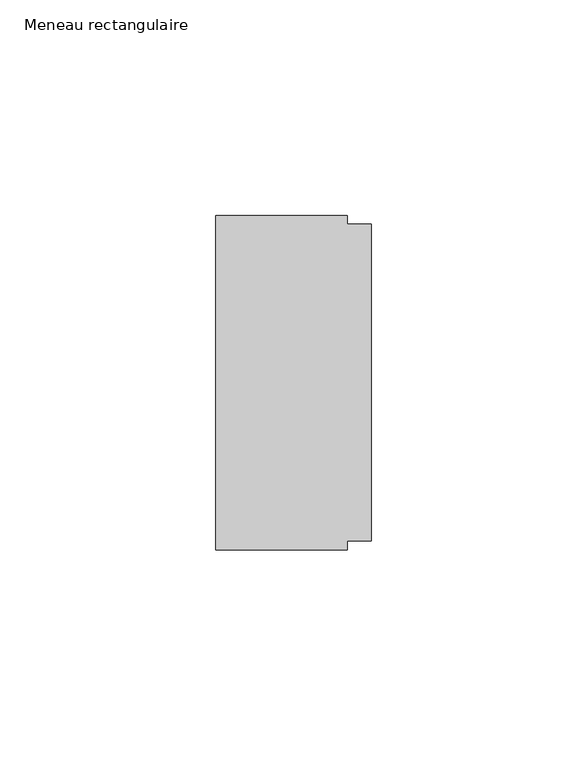
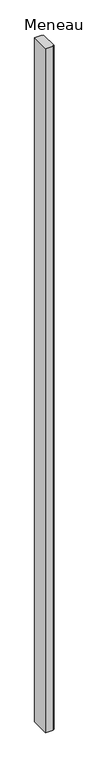
"""IFC4 building model written with IfcOpenShell, lengths in millimetres: member geometry, Meneau rectangulaire."""

from ifc_helpers import new_model, si_unit, frame, origin, place, context, project, spatial, polyline, outline, extrude, source, transform, mapped, element, save


def meneau_rectangulaire_54a0c6e2(model_context):
    return source(origin(), model_context, "Body", "SweptSolid", [
        extrude(outline(polyline([(0.0, 36.75), (0.0, -36.75), (-5.5, -36.75), (-5.5, -38.75), (-36.0, -38.75), (-36.0, 38.75), (-5.5, 38.75), (-5.5, 36.75), (0.0, 36.75)])), frame((0.0, 0.0, -3000.0), z_axis=(0.0, 0.0, 1.0), x_axis=(1.0, 0.0, 0.0)), (0.0, 0.0, 1.0), 3000.0),
    ])


if __name__ == "__main__":
    model = new_model("IFC4")
    model_context = context("Model", 3, world=origin())
    ifc_project = project(units=[si_unit("LENGTHUNIT", "METRE", prefix="MILLI")], contexts=[model_context])
    site = spatial("IfcSite", under=ifc_project)
    building = spatial("IfcBuilding", under=site)
    placement = place(None, origin())
    meneau_rectangulaire_shape = meneau_rectangulaire_54a0c6e2(model_context)
    element("IfcMember", 1, ObjectType="Meneau rectangulaire", at=placement, inside=building, context=model_context, shape_type="MappedRepresentation", body=[
        mapped(meneau_rectangulaire_shape, transform((0.0, 0.0, 0.0), x_axis=(1.0, 0.0, 0.0), y_axis=(0.0, 1.0, 0.0), z_axis=(0.0, 0.0, 1.0))),
    ])
    save(model, "model.ifc")
